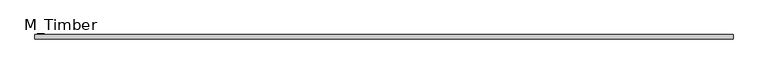
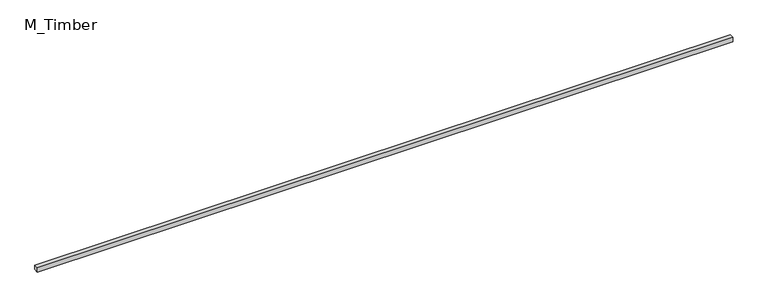
"""IFC4 building model written with IfcOpenShell, lengths in millimetres: beam geometry, M_Timber."""

import ifcopenshell
import ifcopenshell.guid

model = None  # the IFC model being written
_history = None  # IfcOwnerHistory: only IFC2X3 demands one
_inside = {}  # id of a spatial element -> (the spatial element, [elements in it])
_under = {}  # id of a project, library or spatial element -> (it, [spatial elements below it])
_declared = {}  # id of a project -> (the project, [libraries it declares])
_typed = {}  # id of a type object -> (the type object, [elements of that type])
_made_of = {}  # id of a material, layer set ... -> (it, [elements and type objects made of it])


def new_model(schema):
    """Start an empty IFC model of exactly this schema.

    Asked for "IFC4X3", IfcOpenShell would pick the latest addendum, in which some entities
    have other attributes; the version numbers below select the first issue.
    IFC2X3 requires an IfcOwnerHistory on every rooted entity: one is made here for all.
    """
    global model, _history
    if schema == "IFC4X3":
        model = ifcopenshell.file(schema_version=(4, 3, 0, 0))
    else:
        model = ifcopenshell.file(schema=schema)
    _inside.clear()
    _under.clear()
    _declared.clear()
    _typed.clear()
    _made_of.clear()
    _history = None
    if model.schema == "IFC2X3":
        org = make("IfcOrganization", Name="unknown")
        user = make(
            "IfcPersonAndOrganization",
            ThePerson=make("IfcPerson", FamilyName="unknown"),
            TheOrganization=org,
        )
        app = make(
            "IfcApplication",
            ApplicationDeveloper=org,
            Version="unknown",
            ApplicationFullName="unknown",
            ApplicationIdentifier="unknown",
        )
        _history = make(
            "IfcOwnerHistory",
            OwningUser=user,
            OwningApplication=app,
            ChangeAction="ADDED",
            CreationDate=0,
        )
    return model


def make(cls, **values):
    """One entity of the class cls with the attributes given. An attribute that is None is left unset."""
    return model.create_entity(
        cls, **{name: value for name, value in values.items() if value is not None}
    )


def rooted(cls, **values):
    """An entity with a GlobalId (a new one), such as an element, a storey or a relation."""
    return make(cls, GlobalId=ifcopenshell.guid.new(), OwnerHistory=_history, **values)


def si_unit(unit_type, name, prefix=None):
    """IfcSIUnit, for example si_unit("LENGTHUNIT", "METRE", prefix="MILLI")."""
    return make("IfcSIUnit", UnitType=unit_type, Prefix=prefix, Name=name)


def assignment(units):
    """IfcUnitAssignment: the units of a project."""
    return None if units is None else make("IfcUnitAssignment", Units=units)


def point(xyz):
    """IfcCartesianPoint."""
    return None if xyz is None else make("IfcCartesianPoint", Coordinates=xyz)


def direction(xyz):
    """IfcDirection."""
    return None if xyz is None else make("IfcDirection", DirectionRatios=xyz)


def frame(location, z_axis=None, x_axis=None):
    """IfcAxis2Placement3D, a coordinate frame: its origin and axes. An axis left out is left unset."""
    return make(
        "IfcAxis2Placement3D",
        Location=point(location),
        Axis=direction(z_axis),
        RefDirection=direction(x_axis),
    )


def origin():
    """The frame at (0, 0, 0) with its axes left unset."""
    return frame((0.0, 0.0, 0.0))


def place(relative_to, where):
    """IfcLocalPlacement: puts the frame where relative to a parent placement (None: the world)."""
    return make(
        "IfcLocalPlacement", PlacementRelTo=relative_to, RelativePlacement=where
    )


def context(
    kind, dimensions, precision=None, world=None, true_north=None, identifier=None
):
    """IfcGeometricRepresentationContext, for example the 3D "Model" context."""
    return make(
        "IfcGeometricRepresentationContext",
        ContextIdentifier=identifier,
        ContextType=kind,
        CoordinateSpaceDimension=dimensions,
        Precision=precision,
        WorldCoordinateSystem=world,
        TrueNorth=true_north,
    )


def project(units=None, contexts=None):
    """IfcProject with its units and contexts."""
    return rooted(
        "IfcProject",
        Name="project",
        RepresentationContexts=contexts,
        UnitsInContext=assignment(units),
    )


def spatial(cls, under=None, at=None, **own):
    """A site, building, storey or space (cls), placed at a placement, below another one or the project."""
    s = rooted(cls, ObjectPlacement=at, **own)
    if under is not None:
        _under.setdefault(under.id(), (under, []))[1].append(s)
    return s


def polyline(points):
    """IfcPolyline through the points."""
    return make("IfcPolyline", Points=[point(p) for p in points])


def outline(outer, holes=None, kind="AREA"):
    """IfcArbitraryClosedProfileDef: a profile drawn as a closed curve; with holes, ...WithVoids."""
    if holes is None:
        return make("IfcArbitraryClosedProfileDef", ProfileType=kind, OuterCurve=outer)
    return make(
        "IfcArbitraryProfileDefWithVoids",
        ProfileType=kind,
        OuterCurve=outer,
        InnerCurves=holes,
    )


def extrude(swept, where, along, depth):
    """IfcExtrudedAreaSolid: the profile swept, set in the frame where, extruded along a direction by depth."""
    return make(
        "IfcExtrudedAreaSolid",
        SweptArea=swept,
        Position=where,
        ExtrudedDirection=direction(along),
        Depth=depth,
    )


def shape(context_of_items, identifier, shape_type, items):
    """IfcShapeRepresentation: the items that make up one representation, for example the "Body"."""
    return make(
        "IfcShapeRepresentation",
        ContextOfItems=context_of_items,
        RepresentationIdentifier=identifier,
        RepresentationType=shape_type,
        Items=items,
    )


def source(mapping_origin, context_of_items, identifier, shape_type, items):
    """IfcRepresentationMap: a shape defined once, which mapped items show again and again."""
    return make(
        "IfcRepresentationMap",
        MappingOrigin=mapping_origin,
        MappedRepresentation=shape(context_of_items, identifier, shape_type, items),
    )


def transform(
    local_origin,
    x_axis=None,
    y_axis=None,
    z_axis=None,
    scale=None,
    scale2=None,
    scale3=None,
    uniform=True,
):
    """IfcCartesianTransformationOperator3D, or its non-uniform kind. x_axis, y_axis, z_axis: its Axis1, 2, 3."""
    if uniform:
        return make(
            "IfcCartesianTransformationOperator3D",
            Axis1=direction(x_axis),
            Axis2=direction(y_axis),
            LocalOrigin=point(local_origin),
            Scale=scale,
            Axis3=direction(z_axis),
        )
    return make(
        "IfcCartesianTransformationOperator3DnonUniform",
        Axis1=direction(x_axis),
        Axis2=direction(y_axis),
        LocalOrigin=point(local_origin),
        Scale=scale,
        Axis3=direction(z_axis),
        Scale2=scale2,
        Scale3=scale3,
    )


def mapped(mapping_source, mapping_target):
    """IfcMappedItem: shows the shape of a source again, moved by a transform."""
    return make(
        "IfcMappedItem", MappingSource=mapping_source, MappingTarget=mapping_target
    )


def made_of(thing, what):
    """Note that an element or type object is made of a material, layer set ...; save() writes the relation."""
    if what is not None:
        _made_of.setdefault(what.id(), (what, []))[1].append(thing)
    return thing


def element(
    cls,
    number,
    at=None,
    inside=None,
    cuts=None,
    type_object=None,
    material=None,
    context=None,
    identifier="Body",
    shape_type=None,
    held_by="IfcProductDefinitionShape",
    body=None,
    shapes=None,
    **own,
):
    """One element of the class cls, such as IfcWall. Its Tag is "e" and its number.

    at: its placement. inside: the storey or other place that contains it. cuts: it is an
    opening in that element (IfcRelVoidsElement). A single representation is given by context,
    identifier, shape_type and body (its items); several are given by shapes. held_by: the class
    of the entity that holds the representations. save() writes the other relations.
    """
    e = rooted(cls, Tag="e%d" % number, ObjectPlacement=at, **own)
    if body is not None:
        shapes = [shape(context, identifier, shape_type, body)]
    if shapes is not None:
        e.Representation = make(held_by, Representations=shapes)
    if inside is not None:
        _inside.setdefault(inside.id(), (inside, []))[1].append(e)
    if cuts is not None:
        rooted(
            "IfcRelVoidsElement", RelatingBuildingElement=cuts, RelatedOpeningElement=e
        )
    if type_object is not None:
        _typed.setdefault(type_object.id(), (type_object, []))[1].append(e)
    return made_of(e, material)


def aggregate(whole, parts):
    """IfcRelAggregates: a whole, such as a stair, and the parts it consists of."""
    return rooted("IfcRelAggregates", RelatingObject=whole, RelatedObjects=parts)


def save(model, path):
    """Write the relations noted so far, then the file.

    IfcRelAggregates (storeys below a building ...), IfcRelContainedInSpatialStructure (elements
    in a storey), IfcRelDefinesByType, IfcRelAssociatesMaterial and IfcRelDeclares: one each for
    every whole, place, type object, material and project.
    """
    for whole, parts in _under.values():
        aggregate(whole, parts)
    for where, things in _inside.values():
        rooted(
            "IfcRelContainedInSpatialStructure",
            RelatedElements=things,
            RelatingStructure=where,
        )
    for kind, things in _typed.values():
        rooted("IfcRelDefinesByType", RelatedObjects=things, RelatingType=kind)
    for what, things in _made_of.values():
        rooted("IfcRelAssociatesMaterial", RelatedObjects=things, RelatingMaterial=what)
    for by, libraries in _declared.values():
        rooted("IfcRelDeclares", RelatingContext=by, RelatedDefinitions=libraries)
    model.write(path)


def m_timber_5b6c004a(model_context):
    return source(origin(), model_context, "Body", "SweptSolid", [
        extrude(outline(polyline([(3120.1191943, 20.0), (3120.1191943, -20.0), (-3120.1191943, -20.0), (-3120.1191943, 20.0), (3120.1191943, 20.0)])), frame((0.0, 0.0, -20.0), z_axis=(0.0, 0.0, 1.0), x_axis=(1.0, 0.0, 0.0)), (0.0, 0.0, 1.0), 40.0),
    ])


if __name__ == "__main__":
    model = new_model("IFC4")
    model_context = context("Model", 3, world=origin())
    ifc_project = project(units=[si_unit("LENGTHUNIT", "METRE", prefix="MILLI")], contexts=[model_context])
    site = spatial("IfcSite", under=ifc_project)
    building = spatial("IfcBuilding", under=site)
    placement = place(None, origin())
    m_timber_shape = m_timber_5b6c004a(model_context)
    element("IfcBeam", 1, ObjectType="M_Timber", at=placement, inside=building, context=model_context, shape_type="MappedRepresentation", body=[
        mapped(m_timber_shape, transform((0.0, 0.0, 0.0), x_axis=(1.0, 0.0, 0.0), y_axis=(0.0, 1.0, 0.0), z_axis=(0.0, 0.0, 1.0))),
    ])
    save(model, "model.ifc")
